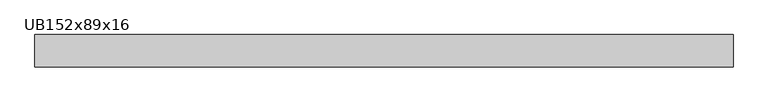
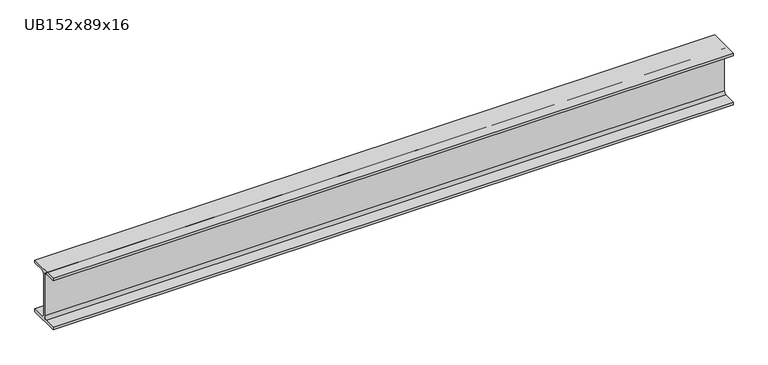
"""IFC4 building model written with IfcOpenShell, lengths in millimetres: beam geometry, UB152x89x16."""

from ifc_helpers import new_model, si_unit, point, frame, frame_2d, origin, place, context, project, spatial, polyline, circle_curve, trimmed, segment, composite_curve, outline, extrude, source, transform, mapped, element, save


def ub152x89x16_ef8c287e(model_context):
    return source(origin(), model_context, "Body", "SweptSolid", [
        extrude(outline(composite_curve([segment(polyline([(44.35, -68.5), (44.35, -76.2), (-44.35, -76.2), (-44.35, -68.5), (-9.85, -68.5)]), True, "CONTINUOUS"), segment(trimmed(circle_curve(frame_2d((-9.85, -60.9)), 7.6), [point((-9.85, -68.5))], [point((-2.25, -60.9))], True, "CARTESIAN"), True, "CONTINUOUS"), segment(polyline([(-2.25, -60.9), (-2.25, 60.9)]), True, "CONTINUOUS"), segment(trimmed(circle_curve(frame_2d((-9.85, 60.9)), 7.6), [point((-2.25, 60.9))], [point((-9.85, 68.5))], True, "CARTESIAN"), True, "CONTINUOUS"), segment(polyline([(-9.85, 68.5), (-44.35, 68.5), (-44.35, 76.2), (44.35, 76.2), (44.35, 68.5), (9.85, 68.5)]), True, "CONTINUOUS"), segment(trimmed(circle_curve(frame_2d((9.85, 60.9)), 7.6), [point((9.85, 68.5))], [point((2.25, 60.9))], True, "CARTESIAN"), True, "CONTINUOUS"), segment(polyline([(2.25, 60.9), (2.25, -60.9)]), True, "CONTINUOUS"), segment(trimmed(circle_curve(frame_2d((9.85, -60.9)), 7.6), [point((2.25, -60.9))], [point((9.85, -68.5))], True, "CARTESIAN"), True, "CONTINUOUS"), segment(polyline([(9.85, -68.5), (44.35, -68.5)]), True, "CONTINUOUS")], self_intersect=False)), frame((-951.2, 0.0, 0.0), z_axis=(1.0, 0.0, 0.0), x_axis=(0.0, 1.0, 0.0)), (0.0, 0.0, 1.0), 1902.4),
    ])


if __name__ == "__main__":
    model = new_model("IFC4")
    model_context = context("Model", 3, world=origin())
    ifc_project = project(units=[si_unit("LENGTHUNIT", "METRE", prefix="MILLI")], contexts=[model_context])
    site = spatial("IfcSite", under=ifc_project)
    building = spatial("IfcBuilding", under=site)
    placement = place(None, origin())
    ub152x89x16_shape = ub152x89x16_ef8c287e(model_context)
    element("IfcBeam", 1, ObjectType="UB152x89x16", at=placement, inside=building, context=model_context, shape_type="MappedRepresentation", body=[
        mapped(ub152x89x16_shape, transform((0.0, 0.0, 0.0), x_axis=(1.0, 0.0, 0.0), y_axis=(0.0, 1.0, 0.0), z_axis=(0.0, 0.0, 1.0))),
    ])
    save(model, "model.ifc")
